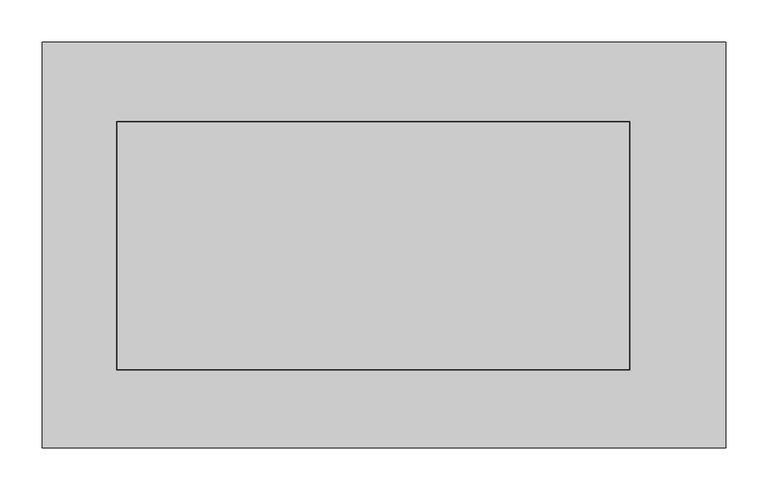
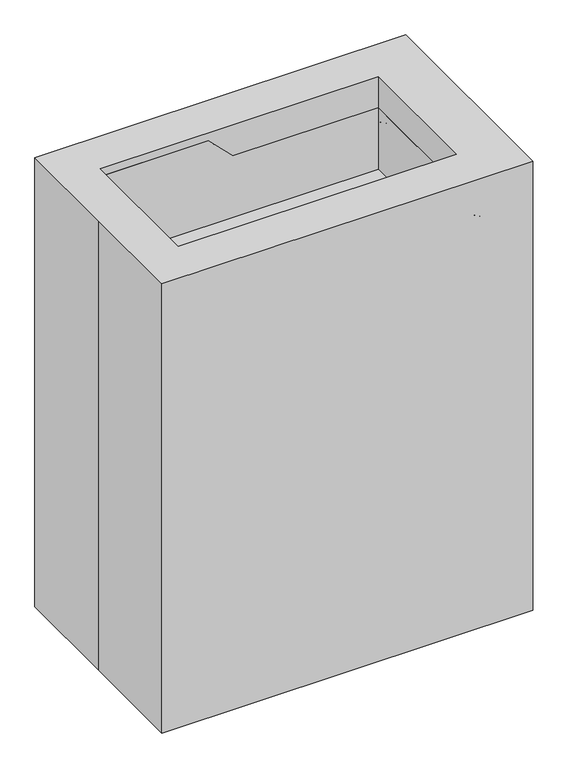
"""IFC4 building model written with IfcOpenShell, lengths in millimetres: proxy geometry."""

from ifc_helpers import new_model, si_unit, point, frame, frame_2d, origin, place, context, project, spatial, polyline, circle_curve, ellipse_curve, trimmed, segment, composite_curve, outline, extrude, faceted_brep, source, transform, mapped, element, save
from ifc_brep_helpers import plane_surface, cylinder_surface, revolved_surface, advanced_brep


def specialty_equipment_4c77ff3d(model_context):
    return source(origin(), model_context, "Body", "SolidModel", [
        faceted_brep([(-317.5, -148.8135892, 826.871867), (-317.5, -148.8135892, 1023.721867), (-80.796148, -148.8135892, 1023.721867), (-26.9146113, -148.8135892, 969.8403302), (292.1, -148.8135892, 969.8403302), (292.1, -148.8135892, 826.871867), (-317.5, 146.7519925, 826.871867), (292.1, 146.7519925, 826.871867), (292.1, 146.7519925, 969.8403302), (-26.9146113, 146.7519925, 969.8403302), (-80.796148, 146.7519925, 1023.721867), (-317.5, 146.7519925, 1023.721867), (-80.796148, -164.5814209, 1023.721867), (-334.796148, -164.5814209, 1023.721867), (-334.796148, -164.5814209, 804.7403302), (309.6353887, -164.5814209, 804.7403302), (309.6353887, -164.5814209, 969.8403302), (-26.9146113, -164.5814209, 969.8403302), (-80.796148, 163.9664234, 1023.721867), (-26.9146113, 163.9664234, 969.8403302), (309.6353887, 163.9664234, 969.8403302), (309.6353887, 163.9664234, 804.7403302), (-334.796148, 163.9664234, 804.7403302), (-334.796148, 163.9664234, 1023.721867)], [[[0, 1, 2, 3, 4, 5]], [[6, 7, 8, 9, 10, 11]], [[0, 5, 7, 6]], [[7, 5, 4, 8]], [[1, 0, 6, 11]], [[12, 13, 14, 15, 16, 17]], [[18, 19, 20, 21, 22, 23]], [[13, 12, 2, 1, 11, 10, 18, 23]], [[14, 13, 23, 22]], [[15, 14, 22, 21]], [[16, 15, 21, 20]], [[17, 16, 20, 19, 9, 8, 4, 3]], [[12, 17, 3, 2]], [[19, 18, 10, 9]]]),
        advanced_brep(
        [(-380.363865, -160.8666667, 45.2201722), (-380.363865, -194.7333333, 45.2201722), (-380.363865, -160.8666667, 858.0201722), (-380.363865, -194.7333333, 858.0201722), (-304.163865, -160.8666667, 934.2201722), (-304.163865, -194.7333333, 934.2201722), (288.5028017, -160.8666667, 934.2201722), (288.5028017, -194.7333333, 934.2201722), (364.7028017, -160.8666667, 858.0201722), (364.7028017, -194.7333333, 858.0201722), (364.7028017, -160.8666667, 45.2201722), (364.7028017, -194.7333333, 45.2201722)],
        [
            (0, 1, circle_curve(frame((-380.363865, -177.8, 45.2201722), z_axis=(0.0, 0.0, -1.0), x_axis=(-1.0, 0.0, 0.0)), 16.9333333)),
            (1, 0, circle_curve(frame((-380.363865, -177.8, 45.2201722), z_axis=(0.0, 0.0, -1.0), x_axis=(-1.0, 0.0, 0.0)), 16.9333333)),
            (0, 2),
            (2, 3, circle_curve(frame((-380.363865, -177.8, 858.0201722), z_axis=(0.0, 0.0, -1.0), x_axis=(-1.0, 0.0, 0.0)), 16.9333333)),
            (3, 1),
            (3, 2, circle_curve(frame((-380.363865, -177.8, 858.0201722), z_axis=(0.0, 0.0, -1.0), x_axis=(-1.0, 0.0, 0.0)), 16.9333333)),
            (2, 4, circle_curve(frame((-304.163865, -160.8666667, 858.0201722), z_axis=(0.0, 1.0, 0.0), x_axis=(-1.0, 0.0, 0.0)), 76.2)),
            (4, 5, circle_curve(frame((-304.163865, -177.8, 934.2201722), z_axis=(-1.0, 0.0, 0.0), x_axis=(0.0, 0.0, 1.0)), 16.9333333)),
            (5, 3, circle_curve(frame((-304.163865, -194.7333333, 858.0201722), z_axis=(0.0, -1.0, 0.0), x_axis=(-1.0, 0.0, 0.0)), 76.2)),
            (5, 4, circle_curve(frame((-304.163865, -177.8, 934.2201722), z_axis=(-1.0, 0.0, 0.0), x_axis=(0.0, 0.0, 1.0)), 16.9333333)),
            (4, 6),
            (6, 7, circle_curve(frame((288.5028017, -177.8, 934.2201722), z_axis=(-1.0, 0.0, 0.0), x_axis=(0.0, 0.0, 1.0)), 16.9333333)),
            (7, 5),
            (7, 6, circle_curve(frame((288.5028017, -177.8, 934.2201722), z_axis=(-1.0, 0.0, 0.0), x_axis=(0.0, 0.0, 1.0)), 16.9333333)),
            (6, 8, circle_curve(frame((288.5028017, -160.8666667, 858.0201722), z_axis=(0.0, 1.0, 0.0), x_axis=(0.0, 0.0, 1.0)), 76.2)),
            (8, 9, circle_curve(frame((364.7028017, -177.8, 858.0201722), z_axis=(0.0, 0.0, 1.0), x_axis=(1.0, 0.0, 0.0)), 16.9333333)),
            (9, 7, circle_curve(frame((288.5028017, -194.7333333, 858.0201722), z_axis=(0.0, -1.0, 0.0), x_axis=(0.0, 0.0, 1.0)), 76.2)),
            (9, 8, circle_curve(frame((364.7028017, -177.8, 858.0201722), z_axis=(0.0, 0.0, 1.0), x_axis=(1.0, 0.0, 0.0)), 16.9333333)),
            (10, 11, circle_curve(frame((364.7028017, -177.8, 45.2201722), z_axis=(0.0, 0.0, -1.0), x_axis=(1.0, 0.0, 0.0)), 16.9333333)),
            (11, 10, circle_curve(frame((364.7028017, -177.8, 45.2201722), z_axis=(0.0, 0.0, -1.0), x_axis=(1.0, 0.0, 0.0)), 16.9333333)),
            (8, 10),
            (11, 9),
        ],
        [
            plane_surface(frame((-380.363865, 0.0, 45.2201722), z_axis=(0.0, 0.0, -1.0), x_axis=(0.0, -1.0, 0.0))),
            cylinder_surface(frame((-380.363865, -177.8, 45.2201722), z_axis=(0.0, 0.0, -1.0), x_axis=(-1.0, 0.0, 0.0)), 16.9333333),
            revolved_surface(trimmed(ellipse_curve(frame((-380.363865, -177.8, 858.0201722), z_axis=(0.0, 0.0, -1.0), x_axis=(-1.0, 0.0, 0.0)), 16.9333333, 16.9333333), [point((-380.363865, -160.8666667, 858.0201722))], [point((-380.363865, -194.7333333, 858.0201722))], True, "CARTESIAN"), (-304.163865, 0.0, 858.0201722), (0.0, 1.0, 0.0)),
            revolved_surface(trimmed(ellipse_curve(frame((-380.363865, -177.8, 858.0201722), z_axis=(0.0, 0.0, -1.0), x_axis=(-1.0, 0.0, 0.0)), 16.9333333, 16.9333333), [point((-380.363865, -194.7333333, 858.0201722))], [point((-380.363865, -160.8666667, 858.0201722))], True, "CARTESIAN"), (-304.163865, 0.0, 858.0201722), (0.0, 1.0, 0.0)),
            cylinder_surface(frame((-304.163865, -177.8, 934.2201722), z_axis=(-1.0, 0.0, 0.0), x_axis=(0.0, 0.0, 1.0)), 16.9333333),
            revolved_surface(trimmed(ellipse_curve(frame((288.5028017, -177.8, 934.2201722), z_axis=(-1.0, 0.0, 0.0), x_axis=(0.0, 0.0, 1.0)), 16.9333333, 16.9333333), [point((288.5028017, -160.8666667, 934.2201722))], [point((288.5028017, -194.7333333, 934.2201722))], True, "CARTESIAN"), (288.5028017, 0.0, 858.0201722), (0.0, 1.0, 0.0)),
            revolved_surface(trimmed(ellipse_curve(frame((288.5028017, -177.8, 934.2201722), z_axis=(-1.0, 0.0, 0.0), x_axis=(0.0, 0.0, 1.0)), 16.9333333, 16.9333333), [point((288.5028017, -194.7333333, 934.2201722))], [point((288.5028017, -160.8666667, 934.2201722))], True, "CARTESIAN"), (288.5028017, 0.0, 858.0201722), (0.0, 1.0, 0.0)),
            plane_surface(frame((364.7028017, 0.0, 45.2201722), z_axis=(0.0, 0.0, -1.0), x_axis=(0.0, -1.0, 0.0))),
            cylinder_surface(frame((364.7028017, -177.8, 858.0201722), z_axis=(0.0, 0.0, 1.0), x_axis=(1.0, 0.0, 0.0)), 16.9333333),
        ],
        [
            (0, [[1, 2]]),
            (1, [[-1, 3, 4, 5]]),
            (1, [[-2, -5, 6, -3]]),
            (2, [[-4, 7, 8, 9]]),
            (3, [[-6, -9, 10, -7]]),
            (4, [[-8, 11, 12, 13]]),
            (4, [[-10, -13, 14, -11]]),
            (5, [[-12, 15, 16, 17]]),
            (6, [[-14, -17, 18, -15]]),
            (7, [[19, 20]]),
            (8, [[-16, 21, -20, 22]]),
            (8, [[-18, -22, -19, -21]]),
        ],
    ),
        advanced_brep(
        [(-380.363865, 194.7333333, 45.2201722), (-380.363865, 160.8666667, 45.2201722), (-380.363865, 194.7333333, 858.0201722), (-380.363865, 160.8666667, 858.0201722), (-304.163865, 194.7333333, 934.2201722), (-304.163865, 160.8666667, 934.2201722), (288.5028017, 194.7333333, 934.2201722), (288.5028017, 160.8666667, 934.2201722), (364.7028017, 194.7333333, 858.0201722), (364.7028017, 160.8666667, 858.0201722), (364.7028017, 194.7333333, 45.2201722), (364.7028017, 160.8666667, 45.2201722)],
        [
            (0, 1, circle_curve(frame((-380.363865, 177.8, 45.2201722), z_axis=(0.0, 0.0, -1.0), x_axis=(-1.0, 0.0, 0.0)), 16.9333333)),
            (1, 0, circle_curve(frame((-380.363865, 177.8, 45.2201722), z_axis=(0.0, 0.0, -1.0), x_axis=(-1.0, 0.0, 0.0)), 16.9333333)),
            (0, 2),
            (2, 3, circle_curve(frame((-380.363865, 177.8, 858.0201722), z_axis=(0.0, 0.0, -1.0), x_axis=(-1.0, 0.0, 0.0)), 16.9333333)),
            (3, 1),
            (3, 2, circle_curve(frame((-380.363865, 177.8, 858.0201722), z_axis=(0.0, 0.0, -1.0), x_axis=(-1.0, 0.0, 0.0)), 16.9333333)),
            (2, 4, circle_curve(frame((-304.163865, 194.7333333, 858.0201722), z_axis=(0.0, 1.0, 0.0), x_axis=(-1.0, 0.0, 0.0)), 76.2)),
            (4, 5, circle_curve(frame((-304.163865, 177.8, 934.2201722), z_axis=(-1.0, 0.0, 0.0), x_axis=(0.0, 0.0, 1.0)), 16.9333333)),
            (5, 3, circle_curve(frame((-304.163865, 160.8666667, 858.0201722), z_axis=(0.0, -1.0, 0.0), x_axis=(-1.0, 0.0, 0.0)), 76.2)),
            (5, 4, circle_curve(frame((-304.163865, 177.8, 934.2201722), z_axis=(-1.0, 0.0, 0.0), x_axis=(0.0, 0.0, 1.0)), 16.9333333)),
            (4, 6),
            (6, 7, circle_curve(frame((288.5028017, 177.8, 934.2201722), z_axis=(-1.0, 0.0, 0.0), x_axis=(0.0, 0.0, 1.0)), 16.9333333)),
            (7, 5),
            (7, 6, circle_curve(frame((288.5028017, 177.8, 934.2201722), z_axis=(-1.0, 0.0, 0.0), x_axis=(0.0, 0.0, 1.0)), 16.9333333)),
            (6, 8, circle_curve(frame((288.5028017, 194.7333333, 858.0201722), z_axis=(0.0, 1.0, 0.0), x_axis=(0.0, 0.0, 1.0)), 76.2)),
            (8, 9, circle_curve(frame((364.7028017, 177.8, 858.0201722), z_axis=(0.0, 0.0, 1.0), x_axis=(1.0, 0.0, 0.0)), 16.9333333)),
            (9, 7, circle_curve(frame((288.5028017, 160.8666667, 858.0201722), z_axis=(0.0, -1.0, 0.0), x_axis=(0.0, 0.0, 1.0)), 76.2)),
            (9, 8, circle_curve(frame((364.7028017, 177.8, 858.0201722), z_axis=(0.0, 0.0, 1.0), x_axis=(1.0, 0.0, 0.0)), 16.9333333)),
            (10, 11, circle_curve(frame((364.7028017, 177.8, 45.2201722), z_axis=(0.0, 0.0, -1.0), x_axis=(1.0, 0.0, 0.0)), 16.9333333)),
            (11, 10, circle_curve(frame((364.7028017, 177.8, 45.2201722), z_axis=(0.0, 0.0, -1.0), x_axis=(1.0, 0.0, 0.0)), 16.9333333)),
            (8, 10),
            (11, 9),
        ],
        [
            plane_surface(frame((-380.363865, 0.0, 45.2201722), z_axis=(0.0, 0.0, -1.0), x_axis=(0.0, -1.0, 0.0))),
            cylinder_surface(frame((-380.363865, 177.8, 45.2201722), z_axis=(0.0, 0.0, -1.0), x_axis=(-1.0, 0.0, 0.0)), 16.9333333),
            revolved_surface(trimmed(ellipse_curve(frame((-380.363865, 177.8, 858.0201722), z_axis=(0.0, 0.0, -1.0), x_axis=(-1.0, 0.0, 0.0)), 16.9333333, 16.9333333), [point((-380.363865, 194.7333333, 858.0201722))], [point((-380.363865, 160.8666667, 858.0201722))], True, "CARTESIAN"), (-304.163865, 0.0, 858.0201722), (0.0, 1.0, 0.0)),
            revolved_surface(trimmed(ellipse_curve(frame((-380.363865, 177.8, 858.0201722), z_axis=(0.0, 0.0, -1.0), x_axis=(-1.0, 0.0, 0.0)), 16.9333333, 16.9333333), [point((-380.363865, 160.8666667, 858.0201722))], [point((-380.363865, 194.7333333, 858.0201722))], True, "CARTESIAN"), (-304.163865, 0.0, 858.0201722), (0.0, 1.0, 0.0)),
            cylinder_surface(frame((-304.163865, 177.8, 934.2201722), z_axis=(-1.0, 0.0, 0.0), x_axis=(0.0, 0.0, 1.0)), 16.9333333),
            revolved_surface(trimmed(ellipse_curve(frame((288.5028017, 177.8, 934.2201722), z_axis=(-1.0, 0.0, 0.0), x_axis=(0.0, 0.0, 1.0)), 16.9333333, 16.9333333), [point((288.5028017, 194.7333333, 934.2201722))], [point((288.5028017, 160.8666667, 934.2201722))], True, "CARTESIAN"), (288.5028017, 0.0, 858.0201722), (0.0, 1.0, 0.0)),
            revolved_surface(trimmed(ellipse_curve(frame((288.5028017, 177.8, 934.2201722), z_axis=(-1.0, 0.0, 0.0), x_axis=(0.0, 0.0, 1.0)), 16.9333333, 16.9333333), [point((288.5028017, 160.8666667, 934.2201722))], [point((288.5028017, 194.7333333, 934.2201722))], True, "CARTESIAN"), (288.5028017, 0.0, 858.0201722), (0.0, 1.0, 0.0)),
            plane_surface(frame((364.7028017, 0.0, 45.2201722), z_axis=(0.0, 0.0, -1.0), x_axis=(0.0, -1.0, 0.0))),
            cylinder_surface(frame((364.7028017, 177.8, 858.0201722), z_axis=(0.0, 0.0, 1.0), x_axis=(1.0, 0.0, 0.0)), 16.9333333),
        ],
        [
            (0, [[1, 2]]),
            (1, [[-1, 3, 4, 5]]),
            (1, [[-2, -5, 6, -3]]),
            (2, [[-4, 7, 8, 9]]),
            (3, [[-6, -9, 10, -7]]),
            (4, [[-8, 11, 12, 13]]),
            (4, [[-10, -13, 14, -11]]),
            (5, [[-12, 15, 16, 17]]),
            (6, [[-14, -17, 18, -15]]),
            (7, [[19, 20]]),
            (8, [[-16, 21, -20, 22]]),
            (8, [[-18, -22, -19, -21]]),
        ],
    ),
        faceted_brep([(-406.4, 241.3, 1041.4), (-406.4, 0.0, 1041.4), (-406.4, -241.3, 1041.4), (406.4, -241.3, 1041.4), (406.4, 241.3, 1041.4), (292.1, -148.8135892, 1041.4), (-317.5, -148.8135892, 1041.4), (-317.5, 146.7519925, 1041.4), (292.1, 146.7519925, 1041.4), (-406.4, 241.3, 0.0), (406.4, 241.3, 0.0), (406.4, -241.3, 0.0), (-406.4, -241.3, 0.0), (-406.4, 0.0, 0.0), (-317.5, -148.8135892, 826.871867), (-317.5, -148.8135892, 1023.721867), (292.1, -148.8135892, 826.871867), (-317.5, 146.7519925, 826.871867), (292.1, 146.7519925, 826.871867), (-317.5, 146.7519925, 1023.721867)], [[[0, 1, 2, 3, 4], [5, 6, 7, 8]], [[9, 10, 11, 12, 13]], [[1, 0, 9, 13]], [[2, 1, 13, 12]], [[3, 2, 12, 11]], [[4, 3, 11, 10]], [[0, 4, 10, 9]], [[14, 15, 6, 5, 16]], [[17, 18, 8, 7, 19]], [[14, 16, 18, 17]], [[16, 5, 8, 18]], [[6, 15, 19, 7]], [[15, 14, 17, 19]]]),
        extrude(outline(composite_curve([segment(polyline([(360.8292378, 196.85), (360.8292378, 190.0373169)]), True, "CONTINUOUS"), segment(trimmed(circle_curve(frame_2d((372.5274905, 177.8)), 16.9292953), [point((360.8292378, 190.0373169))], [point((360.8292378, 165.5626831))], True, "CARTESIAN"), True, "CONTINUOUS"), segment(polyline([(360.8292378, 165.5626831), (360.8292378, -165.5626831)]), True, "CONTINUOUS"), segment(trimmed(circle_curve(frame_2d((372.5333333, -177.8)), 16.9333333), [point((360.8292378, -165.5626831))], [point((360.8292378, -190.0373169))], True, "CARTESIAN"), True, "CONTINUOUS"), segment(polyline([(360.8292378, -190.0373169), (360.8292378, -196.85), (-361.95, -196.85), (-361.95, -191.8417308)]), True, "CONTINUOUS"), segment(trimmed(circle_curve(frame_2d((-373.3669688, -178.2115758)), 17.7799972), [point((-361.95, -191.8417308))], [point((-361.95, -164.5814209))], True, "CARTESIAN"), True, "CONTINUOUS"), segment(polyline([(-361.95, -164.5814209), (-361.95, 163.9664234)]), True, "CONTINUOUS"), segment(trimmed(circle_curve(frame_2d((-373.2377005, 177.5219972)), 17.6398912), [point((-361.95, 163.9664234))], [point((-361.95, 191.077571))], True, "CARTESIAN"), True, "CONTINUOUS"), segment(polyline([(-361.95, 191.077571), (-361.95, 196.85), (360.8292378, 196.85)]), True, "CONTINUOUS")], self_intersect=False)), frame((0.0, 0.0, 582.1516667), z_axis=(0.0, 0.0, 1.0), x_axis=(1.0, 0.0, 0.0)), (0.0, 0.0, 1.0), 203.2),
        extrude(outline(composite_curve([segment(polyline([(360.8292378, 196.85), (360.8292378, 190.0373169)]), True, "CONTINUOUS"), segment(trimmed(circle_curve(frame_2d((372.5274905, 177.8)), 16.9292953), [point((360.8292378, 190.0373169))], [point((360.8292378, 165.5626831))], True, "CARTESIAN"), True, "CONTINUOUS"), segment(polyline([(360.8292378, 165.5626831), (360.8292378, -165.5626831)]), True, "CONTINUOUS"), segment(trimmed(circle_curve(frame_2d((372.5333333, -177.8)), 16.9333333), [point((360.8292378, -165.5626831))], [point((360.8292378, -190.0373169))], True, "CARTESIAN"), True, "CONTINUOUS"), segment(polyline([(360.8292378, -190.0373169), (360.8292378, -196.85), (-361.95, -196.85), (-361.95, -191.8417308)]), True, "CONTINUOUS"), segment(trimmed(circle_curve(frame_2d((-373.3669688, -178.2115758)), 17.7799972), [point((-361.95, -191.8417308))], [point((-361.95, -164.5814209))], True, "CARTESIAN"), True, "CONTINUOUS"), segment(polyline([(-361.95, -164.5814209), (-361.95, 163.9664234)]), True, "CONTINUOUS"), segment(trimmed(circle_curve(frame_2d((-373.2377005, 177.5219972)), 17.6398912), [point((-361.95, 163.9664234))], [point((-361.95, 191.077571))], True, "CARTESIAN"), True, "CONTINUOUS"), segment(polyline([(-361.95, 191.077571), (-361.95, 196.85), (360.8292378, 196.85)]), True, "CONTINUOUS")], self_intersect=False)), frame((0.0, 0.0, 271.0016667), z_axis=(0.0, 0.0, 1.0), x_axis=(1.0, 0.0, 0.0)), (0.0, 0.0, 1.0), 38.1),
        extrude(outline(composite_curve([segment(trimmed(circle_curve(frame_2d((50.8, 355.6)), 50.8), [point((50.8, 406.4))], [point((50.8, 304.8))], False, "CARTESIAN"), True, "CONTINUOUS"), segment(trimmed(circle_curve(frame_2d((50.8, 355.6)), 50.8), [point((50.8, 304.8))], [point((50.8, 406.4))], False, "CARTESIAN"), True, "CONTINUOUS")], self_intersect=False)), frame((0.0, 139.7, 0.0), z_axis=(0.0, 1.0, 0.0), x_axis=(0.0, 0.0, 1.0)), (0.0, 0.0, 1.0), 19.05),
        extrude(outline(composite_curve([segment(trimmed(circle_curve(frame_2d((50.8, 355.6)), 50.8), [point((50.8, 406.4))], [point((50.8, 304.8))], False, "CARTESIAN"), True, "CONTINUOUS"), segment(trimmed(circle_curve(frame_2d((50.8, 355.6)), 50.8), [point((50.8, 304.8))], [point((50.8, 406.4))], False, "CARTESIAN"), True, "CONTINUOUS")], self_intersect=False)), frame((0.0, 196.85, 0.0), z_axis=(0.0, 1.0, 0.0), x_axis=(0.0, 0.0, 1.0)), (0.0, 0.0, 1.0), 19.05),
        extrude(outline(composite_curve([segment(trimmed(circle_curve(frame_2d((372.5333333, 178.0471994)), 16.9333333), [point((372.5333333, 194.9805327))], [point((372.5333333, 161.1138661))], False, "CARTESIAN"), True, "CONTINUOUS"), segment(trimmed(circle_curve(frame_2d((372.5333333, 178.0471994)), 16.9333333), [point((372.5333333, 161.1138661))], [point((372.5333333, 194.9805327))], False, "CARTESIAN"), True, "CONTINUOUS")], self_intersect=False)), frame((0.0, 0.0, 50.8), z_axis=(0.0, 0.0, 1.0), x_axis=(1.0, 0.0, 0.0)), (0.0, 0.0, 1.0), 50.8),
        extrude(outline(composite_curve([segment(trimmed(circle_curve(frame_2d((50.8, 355.6)), 33.8666667), [point((50.8, 321.7333333))], [point((50.8, 389.4666667))], False, "CARTESIAN"), True, "CONTINUOUS"), segment(trimmed(circle_curve(frame_2d((50.8, 355.6)), 33.8666667), [point((50.8, 389.4666667))], [point((50.8, 321.7333333))], False, "CARTESIAN"), True, "CONTINUOUS")], self_intersect=False)), frame((0.0, 158.75, 0.0), z_axis=(0.0, 1.0, 0.0), x_axis=(0.0, 0.0, 1.0)), (0.0, 0.0, 1.0), 38.1),
        extrude(outline(composite_curve([segment(trimmed(circle_curve(frame_2d((50.8, -355.6)), 50.8), [point((50.8, -406.4))], [point((50.8, -304.8))], False, "CARTESIAN"), True, "CONTINUOUS"), segment(trimmed(circle_curve(frame_2d((50.8, -355.6)), 50.8), [point((50.8, -304.8))], [point((50.8, -406.4))], False, "CARTESIAN"), True, "CONTINUOUS")], self_intersect=False)), frame((0.0, 139.7, 0.0), z_axis=(0.0, 1.0, 0.0), x_axis=(0.0, 0.0, 1.0)), (0.0, 0.0, 1.0), 19.05),
        extrude(outline(composite_curve([segment(trimmed(circle_curve(frame_2d((50.8, -355.6)), 50.8), [point((50.8, -406.4))], [point((50.8, -304.8))], False, "CARTESIAN"), True, "CONTINUOUS"), segment(trimmed(circle_curve(frame_2d((50.8, -355.6)), 50.8), [point((50.8, -304.8))], [point((50.8, -406.4))], False, "CARTESIAN"), True, "CONTINUOUS")], self_intersect=False)), frame((0.0, 196.85, 0.0), z_axis=(0.0, 1.0, 0.0), x_axis=(0.0, 0.0, 1.0)), (0.0, 0.0, 1.0), 19.05),
        extrude(outline(composite_curve([segment(trimmed(circle_curve(frame_2d((-372.0981129, 177.5219972)), 16.9333333), [point((-372.0981129, 194.4553305))], [point((-372.0981129, 160.5886639))], False, "CARTESIAN"), True, "CONTINUOUS"), segment(trimmed(circle_curve(frame_2d((-372.0981129, 177.5219972)), 16.9333333), [point((-372.0981129, 160.5886639))], [point((-372.0981129, 194.4553305))], False, "CARTESIAN"), True, "CONTINUOUS")], self_intersect=False)), frame((0.0, 0.0, 50.8), z_axis=(0.0, 0.0, 1.0), x_axis=(1.0, 0.0, 0.0)), (0.0, 0.0, 1.0), 50.8),
        extrude(outline(composite_curve([segment(trimmed(circle_curve(frame_2d((50.8, -355.6)), 33.8666667), [point((50.8, -321.7333333))], [point((50.8, -389.4666667))], False, "CARTESIAN"), True, "CONTINUOUS"), segment(trimmed(circle_curve(frame_2d((50.8, -355.6)), 33.8666667), [point((50.8, -389.4666667))], [point((50.8, -321.7333333))], False, "CARTESIAN"), True, "CONTINUOUS")], self_intersect=False)), frame((0.0, 158.75, 0.0), z_axis=(0.0, 1.0, 0.0), x_axis=(0.0, 0.0, 1.0)), (0.0, 0.0, 1.0), 38.1),
        extrude(outline(composite_curve([segment(trimmed(circle_curve(frame_2d((50.8, 355.6)), 50.8), [point((50.8, 406.4))], [point((50.8, 304.8))], False, "CARTESIAN"), True, "CONTINUOUS"), segment(trimmed(circle_curve(frame_2d((50.8, 355.6)), 50.8), [point((50.8, 304.8))], [point((50.8, 406.4))], False, "CARTESIAN"), True, "CONTINUOUS")], self_intersect=False)), frame((0.0, -158.75, 0.0), z_axis=(0.0, 1.0, 0.0), x_axis=(0.0, 0.0, 1.0)), (0.0, 0.0, 1.0), 19.05),
        extrude(outline(composite_curve([segment(trimmed(circle_curve(frame_2d((50.8, 355.6)), 50.8), [point((50.8, 406.4))], [point((50.8, 304.8))], False, "CARTESIAN"), True, "CONTINUOUS"), segment(trimmed(circle_curve(frame_2d((50.8, 355.6)), 50.8), [point((50.8, 304.8))], [point((50.8, 406.4))], False, "CARTESIAN"), True, "CONTINUOUS")], self_intersect=False)), frame((0.0, -215.9, 0.0), z_axis=(0.0, 1.0, 0.0), x_axis=(0.0, 0.0, 1.0)), (0.0, 0.0, 1.0), 19.05),
        extrude(outline(composite_curve([segment(trimmed(circle_curve(frame_2d((373.1952491, -178.0471994)), 16.9333333), [point((373.1952491, -194.9805327))], [point((373.1952491, -161.1138661))], False, "CARTESIAN"), True, "CONTINUOUS"), segment(trimmed(circle_curve(frame_2d((373.1952491, -178.0471994)), 16.9333333), [point((373.1952491, -161.1138661))], [point((373.1952491, -194.9805327))], False, "CARTESIAN"), True, "CONTINUOUS")], self_intersect=False)), frame((0.0, 0.0, 50.8), z_axis=(0.0, 0.0, 1.0), x_axis=(1.0, 0.0, 0.0)), (0.0, 0.0, 1.0), 50.8),
        extrude(outline(composite_curve([segment(trimmed(circle_curve(frame_2d((50.8, 355.6)), 33.8666667), [point((50.8, 321.7333333))], [point((50.8, 389.4666667))], False, "CARTESIAN"), True, "CONTINUOUS"), segment(trimmed(circle_curve(frame_2d((50.8, 355.6)), 33.8666667), [point((50.8, 389.4666667))], [point((50.8, 321.7333333))], False, "CARTESIAN"), True, "CONTINUOUS")], self_intersect=False)), frame((0.0, -196.85, 0.0), z_axis=(0.0, 1.0, 0.0), x_axis=(0.0, 0.0, 1.0)), (0.0, 0.0, 1.0), 38.1),
        extrude(outline(composite_curve([segment(trimmed(circle_curve(frame_2d((50.8, -355.6)), 50.8), [point((50.8, -406.4))], [point((50.8, -304.8))], False, "CARTESIAN"), True, "CONTINUOUS"), segment(trimmed(circle_curve(frame_2d((50.8, -355.6)), 50.8), [point((50.8, -304.8))], [point((50.8, -406.4))], False, "CARTESIAN"), True, "CONTINUOUS")], self_intersect=False)), frame((0.0, -158.75, 0.0), z_axis=(0.0, 1.0, 0.0), x_axis=(0.0, 0.0, 1.0)), (0.0, 0.0, 1.0), 19.05),
        extrude(outline(composite_curve([segment(trimmed(circle_curve(frame_2d((50.8, -355.6)), 50.8), [point((50.8, -406.4))], [point((50.8, -304.8))], False, "CARTESIAN"), True, "CONTINUOUS"), segment(trimmed(circle_curve(frame_2d((50.8, -355.6)), 50.8), [point((50.8, -304.8))], [point((50.8, -406.4))], False, "CARTESIAN"), True, "CONTINUOUS")], self_intersect=False)), frame((0.0, -215.9, 0.0), z_axis=(0.0, 1.0, 0.0), x_axis=(0.0, 0.0, 1.0)), (0.0, 0.0, 1.0), 19.05),
        extrude(outline(composite_curve([segment(trimmed(circle_curve(frame_2d((-372.5333333, -177.5310472)), 16.9333333), [point((-372.5333333, -194.4643805))], [point((-372.5333333, -160.5977138))], False, "CARTESIAN"), True, "CONTINUOUS"), segment(trimmed(circle_curve(frame_2d((-372.5333333, -177.5310472)), 16.9333333), [point((-372.5333333, -160.5977138))], [point((-372.5333333, -194.4643805))], False, "CARTESIAN"), True, "CONTINUOUS")], self_intersect=False)), frame((0.0, 0.0, 50.8), z_axis=(0.0, 0.0, 1.0), x_axis=(1.0, 0.0, 0.0)), (0.0, 0.0, 1.0), 50.8),
        extrude(outline(composite_curve([segment(trimmed(circle_curve(frame_2d((50.8, -355.6)), 33.8666667), [point((50.8, -321.7333333))], [point((50.8, -389.4666667))], False, "CARTESIAN"), True, "CONTINUOUS"), segment(trimmed(circle_curve(frame_2d((50.8, -355.6)), 33.8666667), [point((50.8, -389.4666667))], [point((50.8, -321.7333333))], False, "CARTESIAN"), True, "CONTINUOUS")], self_intersect=False)), frame((0.0, -196.85, 0.0), z_axis=(0.0, 1.0, 0.0), x_axis=(0.0, 0.0, 1.0)), (0.0, 0.0, 1.0), 38.1),
    ])


if __name__ == "__main__":
    model = new_model("IFC4")
    model_context = context("Model", 3, world=origin())
    ifc_project = project(units=[si_unit("LENGTHUNIT", "METRE", prefix="MILLI")], contexts=[model_context])
    site = spatial("IfcSite", under=ifc_project)
    building = spatial("IfcBuilding", under=site)
    placement = place(None, origin())
    specialty_equipment_shape = specialty_equipment_4c77ff3d(model_context)
    element("IfcBuildingElementProxy", 1, Name="Specialty Equipment", at=placement, inside=building, context=model_context, shape_type="MappedRepresentation", body=[
        mapped(specialty_equipment_shape, transform((0.0, 0.0, 0.0), x_axis=(1.0, 0.0, 0.0), y_axis=(0.0, 1.0, 0.0), z_axis=(0.0, 0.0, 1.0))),
    ])
    save(model, "model.ifc")
